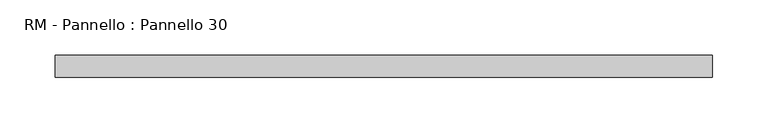
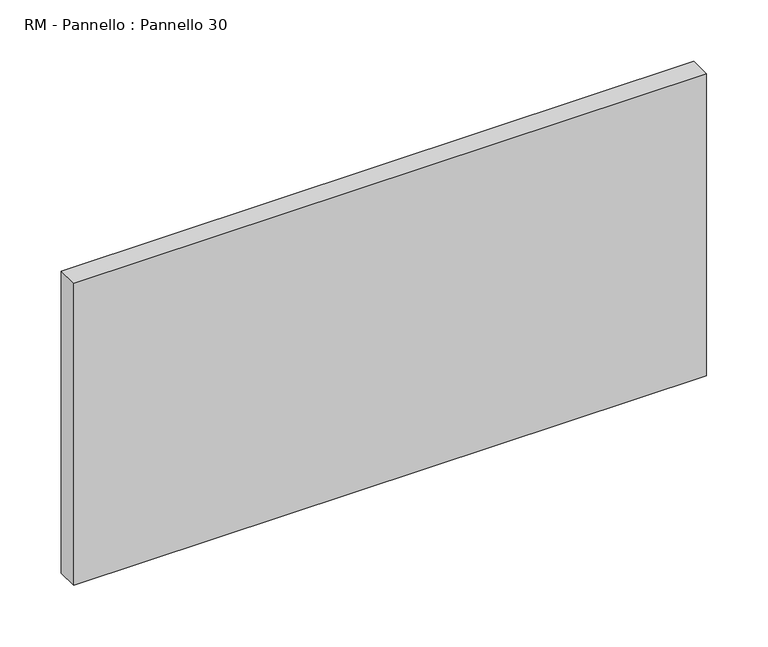
"""IFC4 building model written with IfcOpenShell, lengths in millimetres: plate geometry, RM - Pannello : Pannello 30."""

import ifcopenshell
import ifcopenshell.guid

model = None  # the IFC model being written
_history = None  # IfcOwnerHistory: only IFC2X3 demands one
_inside = {}  # id of a spatial element -> (the spatial element, [elements in it])
_under = {}  # id of a project, library or spatial element -> (it, [spatial elements below it])
_declared = {}  # id of a project -> (the project, [libraries it declares])
_typed = {}  # id of a type object -> (the type object, [elements of that type])
_made_of = {}  # id of a material, layer set ... -> (it, [elements and type objects made of it])


def new_model(schema):
    """Start an empty IFC model of exactly this schema.

    Asked for "IFC4X3", IfcOpenShell would pick the latest addendum, in which some entities
    have other attributes; the version numbers below select the first issue.
    IFC2X3 requires an IfcOwnerHistory on every rooted entity: one is made here for all.
    """
    global model, _history
    if schema == "IFC4X3":
        model = ifcopenshell.file(schema_version=(4, 3, 0, 0))
    else:
        model = ifcopenshell.file(schema=schema)
    _inside.clear()
    _under.clear()
    _declared.clear()
    _typed.clear()
    _made_of.clear()
    _history = None
    if model.schema == "IFC2X3":
        org = make("IfcOrganization", Name="unknown")
        user = make(
            "IfcPersonAndOrganization",
            ThePerson=make("IfcPerson", FamilyName="unknown"),
            TheOrganization=org,
        )
        app = make(
            "IfcApplication",
            ApplicationDeveloper=org,
            Version="unknown",
            ApplicationFullName="unknown",
            ApplicationIdentifier="unknown",
        )
        _history = make(
            "IfcOwnerHistory",
            OwningUser=user,
            OwningApplication=app,
            ChangeAction="ADDED",
            CreationDate=0,
        )
    return model


def make(cls, **values):
    """One entity of the class cls with the attributes given. An attribute that is None is left unset."""
    return model.create_entity(
        cls, **{name: value for name, value in values.items() if value is not None}
    )


def rooted(cls, **values):
    """An entity with a GlobalId (a new one), such as an element, a storey or a relation."""
    return make(cls, GlobalId=ifcopenshell.guid.new(), OwnerHistory=_history, **values)


def si_unit(unit_type, name, prefix=None):
    """IfcSIUnit, for example si_unit("LENGTHUNIT", "METRE", prefix="MILLI")."""
    return make("IfcSIUnit", UnitType=unit_type, Prefix=prefix, Name=name)


def assignment(units):
    """IfcUnitAssignment: the units of a project."""
    return None if units is None else make("IfcUnitAssignment", Units=units)


def point(xyz):
    """IfcCartesianPoint."""
    return None if xyz is None else make("IfcCartesianPoint", Coordinates=xyz)


def direction(xyz):
    """IfcDirection."""
    return None if xyz is None else make("IfcDirection", DirectionRatios=xyz)


def frame(location, z_axis=None, x_axis=None):
    """IfcAxis2Placement3D, a coordinate frame: its origin and axes. An axis left out is left unset."""
    return make(
        "IfcAxis2Placement3D",
        Location=point(location),
        Axis=direction(z_axis),
        RefDirection=direction(x_axis),
    )


def origin():
    """The frame at (0, 0, 0) with its axes left unset."""
    return frame((0.0, 0.0, 0.0))


def origin_with_axes():
    """The frame at (0, 0, 0) with the z axis (0, 0, 1) and the x axis (1, 0, 0) written out."""
    return frame((0.0, 0.0, 0.0), z_axis=(0.0, 0.0, 1.0), x_axis=(1.0, 0.0, 0.0))


def place(relative_to, where):
    """IfcLocalPlacement: puts the frame where relative to a parent placement (None: the world)."""
    return make(
        "IfcLocalPlacement", PlacementRelTo=relative_to, RelativePlacement=where
    )


def context(
    kind, dimensions, precision=None, world=None, true_north=None, identifier=None
):
    """IfcGeometricRepresentationContext, for example the 3D "Model" context."""
    return make(
        "IfcGeometricRepresentationContext",
        ContextIdentifier=identifier,
        ContextType=kind,
        CoordinateSpaceDimension=dimensions,
        Precision=precision,
        WorldCoordinateSystem=world,
        TrueNorth=true_north,
    )


def project(units=None, contexts=None):
    """IfcProject with its units and contexts."""
    return rooted(
        "IfcProject",
        Name="project",
        RepresentationContexts=contexts,
        UnitsInContext=assignment(units),
    )


def spatial(cls, under=None, at=None, **own):
    """A site, building, storey or space (cls), placed at a placement, below another one or the project."""
    s = rooted(cls, ObjectPlacement=at, **own)
    if under is not None:
        _under.setdefault(under.id(), (under, []))[1].append(s)
    return s


def polyline(points):
    """IfcPolyline through the points."""
    return make("IfcPolyline", Points=[point(p) for p in points])


def outline(outer, holes=None, kind="AREA"):
    """IfcArbitraryClosedProfileDef: a profile drawn as a closed curve; with holes, ...WithVoids."""
    if holes is None:
        return make("IfcArbitraryClosedProfileDef", ProfileType=kind, OuterCurve=outer)
    return make(
        "IfcArbitraryProfileDefWithVoids",
        ProfileType=kind,
        OuterCurve=outer,
        InnerCurves=holes,
    )


def extrude(swept, where, along, depth):
    """IfcExtrudedAreaSolid: the profile swept, set in the frame where, extruded along a direction by depth."""
    return make(
        "IfcExtrudedAreaSolid",
        SweptArea=swept,
        Position=where,
        ExtrudedDirection=direction(along),
        Depth=depth,
    )


def shape(context_of_items, identifier, shape_type, items):
    """IfcShapeRepresentation: the items that make up one representation, for example the "Body"."""
    return make(
        "IfcShapeRepresentation",
        ContextOfItems=context_of_items,
        RepresentationIdentifier=identifier,
        RepresentationType=shape_type,
        Items=items,
    )


def source(mapping_origin, context_of_items, identifier, shape_type, items):
    """IfcRepresentationMap: a shape defined once, which mapped items show again and again."""
    return make(
        "IfcRepresentationMap",
        MappingOrigin=mapping_origin,
        MappedRepresentation=shape(context_of_items, identifier, shape_type, items),
    )


def transform(
    local_origin,
    x_axis=None,
    y_axis=None,
    z_axis=None,
    scale=None,
    scale2=None,
    scale3=None,
    uniform=True,
):
    """IfcCartesianTransformationOperator3D, or its non-uniform kind. x_axis, y_axis, z_axis: its Axis1, 2, 3."""
    if uniform:
        return make(
            "IfcCartesianTransformationOperator3D",
            Axis1=direction(x_axis),
            Axis2=direction(y_axis),
            LocalOrigin=point(local_origin),
            Scale=scale,
            Axis3=direction(z_axis),
        )
    return make(
        "IfcCartesianTransformationOperator3DnonUniform",
        Axis1=direction(x_axis),
        Axis2=direction(y_axis),
        LocalOrigin=point(local_origin),
        Scale=scale,
        Axis3=direction(z_axis),
        Scale2=scale2,
        Scale3=scale3,
    )


def mapped(mapping_source, mapping_target):
    """IfcMappedItem: shows the shape of a source again, moved by a transform."""
    return make(
        "IfcMappedItem", MappingSource=mapping_source, MappingTarget=mapping_target
    )


def made_of(thing, what):
    """Note that an element or type object is made of a material, layer set ...; save() writes the relation."""
    if what is not None:
        _made_of.setdefault(what.id(), (what, []))[1].append(thing)
    return thing


def element(
    cls,
    number,
    at=None,
    inside=None,
    cuts=None,
    type_object=None,
    material=None,
    context=None,
    identifier="Body",
    shape_type=None,
    held_by="IfcProductDefinitionShape",
    body=None,
    shapes=None,
    **own,
):
    """One element of the class cls, such as IfcWall. Its Tag is "e" and its number.

    at: its placement. inside: the storey or other place that contains it. cuts: it is an
    opening in that element (IfcRelVoidsElement). A single representation is given by context,
    identifier, shape_type and body (its items); several are given by shapes. held_by: the class
    of the entity that holds the representations. save() writes the other relations.
    """
    e = rooted(cls, Tag="e%d" % number, ObjectPlacement=at, **own)
    if body is not None:
        shapes = [shape(context, identifier, shape_type, body)]
    if shapes is not None:
        e.Representation = make(held_by, Representations=shapes)
    if inside is not None:
        _inside.setdefault(inside.id(), (inside, []))[1].append(e)
    if cuts is not None:
        rooted(
            "IfcRelVoidsElement", RelatingBuildingElement=cuts, RelatedOpeningElement=e
        )
    if type_object is not None:
        _typed.setdefault(type_object.id(), (type_object, []))[1].append(e)
    return made_of(e, material)


def aggregate(whole, parts):
    """IfcRelAggregates: a whole, such as a stair, and the parts it consists of."""
    return rooted("IfcRelAggregates", RelatingObject=whole, RelatedObjects=parts)


def save(model, path):
    """Write the relations noted so far, then the file.

    IfcRelAggregates (storeys below a building ...), IfcRelContainedInSpatialStructure (elements
    in a storey), IfcRelDefinesByType, IfcRelAssociatesMaterial and IfcRelDeclares: one each for
    every whole, place, type object, material and project.
    """
    for whole, parts in _under.values():
        aggregate(whole, parts)
    for where, things in _inside.values():
        rooted(
            "IfcRelContainedInSpatialStructure",
            RelatedElements=things,
            RelatingStructure=where,
        )
    for kind, things in _typed.values():
        rooted("IfcRelDefinesByType", RelatedObjects=things, RelatingType=kind)
    for what, things in _made_of.values():
        rooted("IfcRelAssociatesMaterial", RelatedObjects=things, RelatingMaterial=what)
    for by, libraries in _declared.values():
        rooted("IfcRelDeclares", RelatingContext=by, RelatedDefinitions=libraries)
    model.write(path)


def rm_pannello_pannello_30_238296af(model_context):
    return source(origin(), model_context, "Body", "SweptSolid", [
        extrude(outline(polyline([(297.0, -200.0), (-297.0, -200.0), (-297.0, -180.0), (297.0, -180.0), (297.0, -200.0)])), origin_with_axes(), (0.0, 0.0, 1.0), 300.0),
    ])


if __name__ == "__main__":
    model = new_model("IFC4")
    model_context = context("Model", 3, world=origin())
    ifc_project = project(units=[si_unit("LENGTHUNIT", "METRE", prefix="MILLI")], contexts=[model_context])
    site = spatial("IfcSite", under=ifc_project)
    building = spatial("IfcBuilding", under=site)
    placement = place(None, origin())
    rm_pannello_pannello_30_shape = rm_pannello_pannello_30_238296af(model_context)
    element("IfcPlate", 1, ObjectType="RM - Pannello : Pannello 30", at=placement, inside=building, context=model_context, shape_type="MappedRepresentation", body=[
        mapped(rm_pannello_pannello_30_shape, transform((0.0, 0.0, 0.0), x_axis=(1.0, 0.0, 0.0), y_axis=(0.0, 1.0, 0.0), z_axis=(0.0, 0.0, 1.0))),
    ])
    save(model, "model.ifc")
